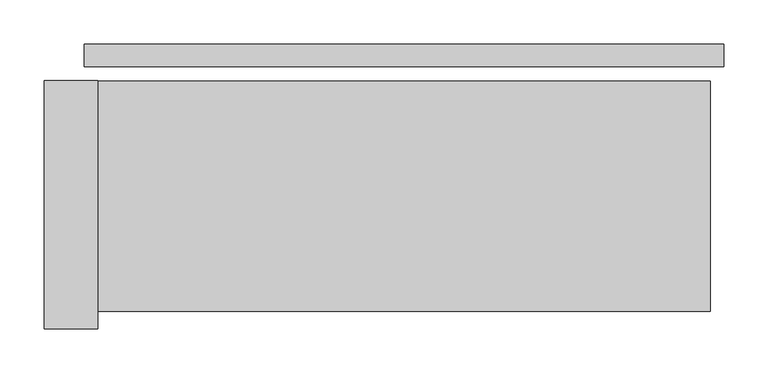
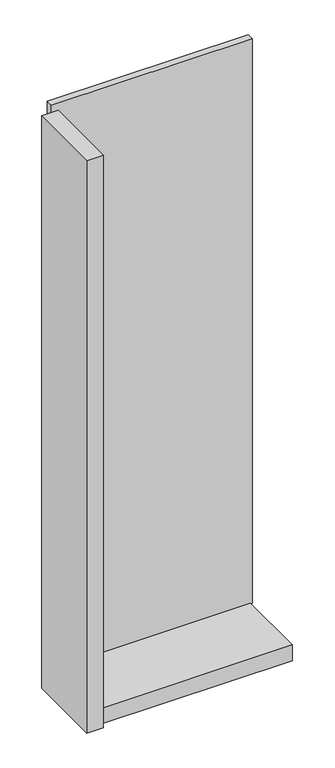
"""IFC4 building model written with IfcOpenShell, lengths in millimetres: plate geometry."""

from ifc_helpers import new_model, si_unit, frame, origin, origin_with_axes, place, context, project, spatial, polyline, outline, extrude, source, transform, mapped, element, save


def plate_7de35f37(model_context):
    return source(origin(), model_context, "Body", "SweptSolid", [
        extrude(outline(polyline([(360.0, 0.0), (360.0, -25.0), (-360.0, -25.0), (-360.0, 0.0), (360.0, 0.0)])), origin_with_axes(), (0.0, 0.0, 1.0), 2142.0),
        extrude(outline(polyline([(-345.0, -41.0), (-345.0, -321.0), (-405.0, -321.0), (-405.0, -41.0), (-345.0, -41.0)])), frame((0.0, 0.0, -45.0), z_axis=(0.0, 0.0, 1.0), x_axis=(1.0, 0.0, 0.0)), (0.0, 0.0, 1.0), 2172.0),
        extrude(outline(polyline([(345.0, -301.0), (-345.0, -301.0), (-345.0, -41.0), (345.0, -41.0), (345.0, -301.0)])), frame((0.0, 0.0, -45.0), z_axis=(0.0, 0.0, 1.0), x_axis=(1.0, 0.0, 0.0)), (0.0, 0.0, 1.0), 60.0),
    ])


if __name__ == "__main__":
    model = new_model("IFC4")
    model_context = context("Model", 3, world=origin())
    ifc_project = project(units=[si_unit("LENGTHUNIT", "METRE", prefix="MILLI")], contexts=[model_context])
    site = spatial("IfcSite", under=ifc_project)
    building = spatial("IfcBuilding", under=site)
    placement = place(None, origin())
    plate_shape = plate_7de35f37(model_context)
    element("IfcPlate", 1, at=placement, inside=building, context=model_context, shape_type="MappedRepresentation", body=[
        mapped(plate_shape, transform((0.0, 0.0, 0.0), x_axis=(1.0, 0.0, 0.0), y_axis=(0.0, 1.0, 0.0), z_axis=(0.0, 0.0, 1.0))),
    ])
    save(model, "model.ifc")
